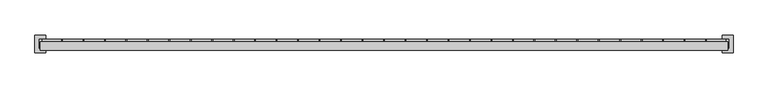
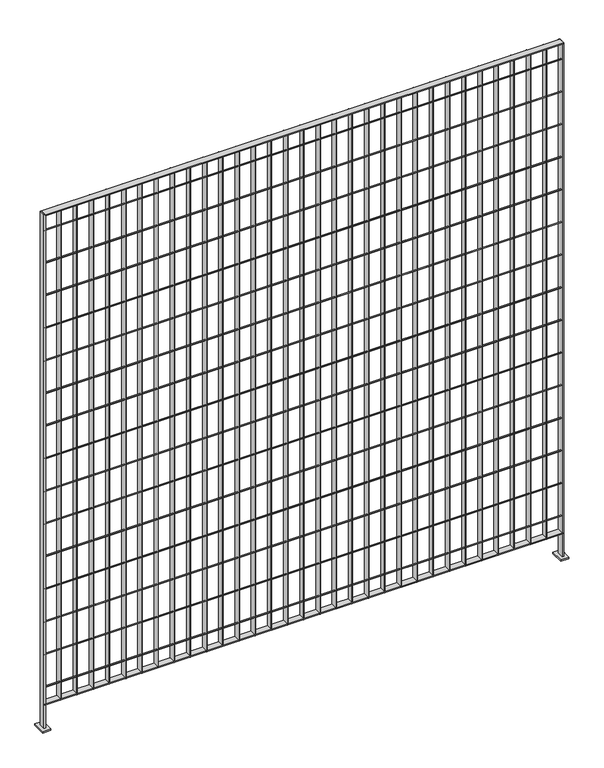
"""IFC4 building model written with IfcOpenShell, lengths in millimetres: railing geometry."""

from ifc_helpers import new_model, si_unit, point, frame, frame_2d, origin, place, context, project, spatial, polyline, circle_curve, trimmed, segment, composite_curve, outline, extrude, source, transform, mapped, element, save


def railing_04a130fd(model_context):
    return source(origin(), model_context, "Body", "SweptSolid", [
        extrude(outline(polyline([(-15096.6859548, 7726.0206619), (-15096.6859548, 7751.4206619), (-13115.4859548, 7751.4206619), (-13115.4859548, 7726.0206619), (-15096.6859548, 7726.0206619)])), frame((0.0, 0.0, 7718.510725), z_axis=(0.0, 0.0, 1.0), x_axis=(1.0, 0.0, 0.0)), (0.0, 0.0, 1.0), 3.7973),
        extrude(outline(composite_curve([segment(trimmed(circle_curve(frame_2d((7732.3706619, 7789.06875)), 2.0574), [point((7734.4280619, 7789.06875))], [point((7730.3132619, 7789.06875))], False, "CARTESIAN"), True, "CONTINUOUS"), segment(trimmed(circle_curve(frame_2d((7732.3706619, 7789.06875)), 2.0574), [point((7730.3132619, 7789.06875))], [point((7734.4280619, 7789.06875))], False, "CARTESIAN"), True, "CONTINUOUS")], self_intersect=False)), frame((-15096.6859548, 0.0, 0.0), z_axis=(1.0, 0.0, 0.0), x_axis=(0.0, 1.0, 0.0)), (0.0, 0.0, 1.0), 1981.2),
        extrude(outline(composite_curve([segment(trimmed(circle_curve(frame_2d((7732.3706619, 7920.83125)), 2.0574), [point((7734.4280619, 7920.83125))], [point((7730.3132619, 7920.83125))], False, "CARTESIAN"), True, "CONTINUOUS"), segment(trimmed(circle_curve(frame_2d((7732.3706619, 7920.83125)), 2.0574), [point((7730.3132619, 7920.83125))], [point((7734.4280619, 7920.83125))], False, "CARTESIAN"), True, "CONTINUOUS")], self_intersect=False)), frame((-15096.6859548, 0.0, 0.0), z_axis=(1.0, 0.0, 0.0), x_axis=(0.0, 1.0, 0.0)), (0.0, 0.0, 1.0), 1981.2),
        extrude(outline(composite_curve([segment(trimmed(circle_curve(frame_2d((7732.3706619, 8052.59375)), 2.0574), [point((7734.4280619, 8052.59375))], [point((7730.3132619, 8052.59375))], False, "CARTESIAN"), True, "CONTINUOUS"), segment(trimmed(circle_curve(frame_2d((7732.3706619, 8052.59375)), 2.0574), [point((7730.3132619, 8052.59375))], [point((7734.4280619, 8052.59375))], False, "CARTESIAN"), True, "CONTINUOUS")], self_intersect=False)), frame((-15096.6859548, 0.0, 0.0), z_axis=(1.0, 0.0, 0.0), x_axis=(0.0, 1.0, 0.0)), (0.0, 0.0, 1.0), 1981.2),
        extrude(outline(composite_curve([segment(trimmed(circle_curve(frame_2d((7732.3706619, 8184.35625)), 2.0574), [point((7734.4280619, 8184.35625))], [point((7730.3132619, 8184.35625))], False, "CARTESIAN"), True, "CONTINUOUS"), segment(trimmed(circle_curve(frame_2d((7732.3706619, 8184.35625)), 2.0574), [point((7730.3132619, 8184.35625))], [point((7734.4280619, 8184.35625))], False, "CARTESIAN"), True, "CONTINUOUS")], self_intersect=False)), frame((-15096.6859548, 0.0, 0.0), z_axis=(1.0, 0.0, 0.0), x_axis=(0.0, 1.0, 0.0)), (0.0, 0.0, 1.0), 1981.2),
        extrude(outline(composite_curve([segment(trimmed(circle_curve(frame_2d((7732.3706619, 8316.11875)), 2.0574), [point((7734.4280619, 8316.11875))], [point((7730.3132619, 8316.11875))], False, "CARTESIAN"), True, "CONTINUOUS"), segment(trimmed(circle_curve(frame_2d((7732.3706619, 8316.11875)), 2.0574), [point((7730.3132619, 8316.11875))], [point((7734.4280619, 8316.11875))], False, "CARTESIAN"), True, "CONTINUOUS")], self_intersect=False)), frame((-15096.6859548, 0.0, 0.0), z_axis=(1.0, 0.0, 0.0), x_axis=(0.0, 1.0, 0.0)), (0.0, 0.0, 1.0), 1981.2),
        extrude(outline(composite_curve([segment(trimmed(circle_curve(frame_2d((7732.3706619, 8447.88125)), 2.0574), [point((7734.4280619, 8447.88125))], [point((7730.3132619, 8447.88125))], False, "CARTESIAN"), True, "CONTINUOUS"), segment(trimmed(circle_curve(frame_2d((7732.3706619, 8447.88125)), 2.0574), [point((7730.3132619, 8447.88125))], [point((7734.4280619, 8447.88125))], False, "CARTESIAN"), True, "CONTINUOUS")], self_intersect=False)), frame((-15096.6859548, 0.0, 0.0), z_axis=(1.0, 0.0, 0.0), x_axis=(0.0, 1.0, 0.0)), (0.0, 0.0, 1.0), 1981.2),
        extrude(outline(composite_curve([segment(trimmed(circle_curve(frame_2d((7732.3706619, 8579.64375)), 2.0574), [point((7734.4280619, 8579.64375))], [point((7730.3132619, 8579.64375))], False, "CARTESIAN"), True, "CONTINUOUS"), segment(trimmed(circle_curve(frame_2d((7732.3706619, 8579.64375)), 2.0574), [point((7730.3132619, 8579.64375))], [point((7734.4280619, 8579.64375))], False, "CARTESIAN"), True, "CONTINUOUS")], self_intersect=False)), frame((-15096.6859548, 0.0, 0.0), z_axis=(1.0, 0.0, 0.0), x_axis=(0.0, 1.0, 0.0)), (0.0, 0.0, 1.0), 1981.2),
        extrude(outline(composite_curve([segment(trimmed(circle_curve(frame_2d((7732.3706619, 8711.40625)), 2.0574), [point((7734.4280619, 8711.40625))], [point((7730.3132619, 8711.40625))], False, "CARTESIAN"), True, "CONTINUOUS"), segment(trimmed(circle_curve(frame_2d((7732.3706619, 8711.40625)), 2.0574), [point((7730.3132619, 8711.40625))], [point((7734.4280619, 8711.40625))], False, "CARTESIAN"), True, "CONTINUOUS")], self_intersect=False)), frame((-15096.6859548, 0.0, 0.0), z_axis=(1.0, 0.0, 0.0), x_axis=(0.0, 1.0, 0.0)), (0.0, 0.0, 1.0), 1981.2),
        extrude(outline(composite_curve([segment(trimmed(circle_curve(frame_2d((7732.3706619, 8843.16875)), 2.0574), [point((7734.4280619, 8843.16875))], [point((7730.3132619, 8843.16875))], False, "CARTESIAN"), True, "CONTINUOUS"), segment(trimmed(circle_curve(frame_2d((7732.3706619, 8843.16875)), 2.0574), [point((7730.3132619, 8843.16875))], [point((7734.4280619, 8843.16875))], False, "CARTESIAN"), True, "CONTINUOUS")], self_intersect=False)), frame((-15096.6859548, 0.0, 0.0), z_axis=(1.0, 0.0, 0.0), x_axis=(0.0, 1.0, 0.0)), (0.0, 0.0, 1.0), 1981.2),
        extrude(outline(composite_curve([segment(trimmed(circle_curve(frame_2d((7732.3706619, 8974.93125)), 2.0574), [point((7734.4280619, 8974.93125))], [point((7730.3132619, 8974.93125))], False, "CARTESIAN"), True, "CONTINUOUS"), segment(trimmed(circle_curve(frame_2d((7732.3706619, 8974.93125)), 2.0574), [point((7730.3132619, 8974.93125))], [point((7734.4280619, 8974.93125))], False, "CARTESIAN"), True, "CONTINUOUS")], self_intersect=False)), frame((-15096.6859548, 0.0, 0.0), z_axis=(1.0, 0.0, 0.0), x_axis=(0.0, 1.0, 0.0)), (0.0, 0.0, 1.0), 1981.2),
        extrude(outline(composite_curve([segment(trimmed(circle_curve(frame_2d((7732.3706619, 9106.69375)), 2.0574), [point((7734.4280619, 9106.69375))], [point((7730.3132619, 9106.69375))], False, "CARTESIAN"), True, "CONTINUOUS"), segment(trimmed(circle_curve(frame_2d((7732.3706619, 9106.69375)), 2.0574), [point((7730.3132619, 9106.69375))], [point((7734.4280619, 9106.69375))], False, "CARTESIAN"), True, "CONTINUOUS")], self_intersect=False)), frame((-15096.6859548, 0.0, 0.0), z_axis=(1.0, 0.0, 0.0), x_axis=(0.0, 1.0, 0.0)), (0.0, 0.0, 1.0), 1981.2),
        extrude(outline(composite_curve([segment(trimmed(circle_curve(frame_2d((7732.3706619, 9238.45625)), 2.0574), [point((7734.4280619, 9238.45625))], [point((7730.3132619, 9238.45625))], False, "CARTESIAN"), True, "CONTINUOUS"), segment(trimmed(circle_curve(frame_2d((7732.3706619, 9238.45625)), 2.0574), [point((7730.3132619, 9238.45625))], [point((7734.4280619, 9238.45625))], False, "CARTESIAN"), True, "CONTINUOUS")], self_intersect=False)), frame((-15096.6859548, 0.0, 0.0), z_axis=(1.0, 0.0, 0.0), x_axis=(0.0, 1.0, 0.0)), (0.0, 0.0, 1.0), 1981.2),
        extrude(outline(composite_curve([segment(trimmed(circle_curve(frame_2d((7732.3706619, 9370.21875)), 2.0574), [point((7734.4280619, 9370.21875))], [point((7730.3132619, 9370.21875))], False, "CARTESIAN"), True, "CONTINUOUS"), segment(trimmed(circle_curve(frame_2d((7732.3706619, 9370.21875)), 2.0574), [point((7730.3132619, 9370.21875))], [point((7734.4280619, 9370.21875))], False, "CARTESIAN"), True, "CONTINUOUS")], self_intersect=False)), frame((-15096.6859548, 0.0, 0.0), z_axis=(1.0, 0.0, 0.0), x_axis=(0.0, 1.0, 0.0)), (0.0, 0.0, 1.0), 1981.2),
        extrude(outline(composite_curve([segment(trimmed(circle_curve(frame_2d((7732.3706619, 9501.98125)), 2.0574), [point((7734.4280619, 9501.98125))], [point((7730.3132619, 9501.98125))], False, "CARTESIAN"), True, "CONTINUOUS"), segment(trimmed(circle_curve(frame_2d((7732.3706619, 9501.98125)), 2.0574), [point((7730.3132619, 9501.98125))], [point((7734.4280619, 9501.98125))], False, "CARTESIAN"), True, "CONTINUOUS")], self_intersect=False)), frame((-15096.6859548, 0.0, 0.0), z_axis=(1.0, 0.0, 0.0), x_axis=(0.0, 1.0, 0.0)), (0.0, 0.0, 1.0), 1981.2),
        extrude(outline(composite_curve([segment(trimmed(circle_curve(frame_2d((7732.3706619, 9633.74375)), 2.0574), [point((7734.4280619, 9633.74375))], [point((7730.3132619, 9633.74375))], False, "CARTESIAN"), True, "CONTINUOUS"), segment(trimmed(circle_curve(frame_2d((7732.3706619, 9633.74375)), 2.0574), [point((7730.3132619, 9633.74375))], [point((7734.4280619, 9633.74375))], False, "CARTESIAN"), True, "CONTINUOUS")], self_intersect=False)), frame((-15096.6859548, 0.0, 0.0), z_axis=(1.0, 0.0, 0.0), x_axis=(0.0, 1.0, 0.0)), (0.0, 0.0, 1.0), 1981.2),
        extrude(outline(polyline([(-15096.6859548, 7719.6706619), (-15096.6859548, 7745.0706619), (-13115.4859548, 7745.0706619), (-13115.4859548, 7719.6706619), (-15096.6859548, 7719.6706619)])), frame((0.0, 0.0, 9700.90135), z_axis=(0.0, 0.0, 1.0), x_axis=(1.0, 0.0, 0.0)), (0.0, 0.0, 1.0), 3.7973),
        extrude(outline(polyline([(-13176.4497648, 7726.0206619), (-13178.3471448, 7726.0206619), (-13178.3471448, 7751.4206619), (-13176.4497648, 7751.4206619), (-13176.4497648, 7726.0206619)])), frame((0.0, 0.0, 7718.425), z_axis=(0.0, 0.0, 1.0), x_axis=(1.0, 0.0, 0.0)), (0.0, 0.0, 1.0), 1982.47635),
        extrude(outline(polyline([(-13238.3622648, 7726.0206619), (-13240.2596448, 7726.0206619), (-13240.2596448, 7751.4206619), (-13238.3622648, 7751.4206619), (-13238.3622648, 7726.0206619)])), frame((0.0, 0.0, 7718.425), z_axis=(0.0, 0.0, 1.0), x_axis=(1.0, 0.0, 0.0)), (0.0, 0.0, 1.0), 1982.47635),
        extrude(outline(polyline([(-13300.2747648, 7726.0206619), (-13302.1721448, 7726.0206619), (-13302.1721448, 7751.4206619), (-13300.2747648, 7751.4206619), (-13300.2747648, 7726.0206619)])), frame((0.0, 0.0, 7718.425), z_axis=(0.0, 0.0, 1.0), x_axis=(1.0, 0.0, 0.0)), (0.0, 0.0, 1.0), 1982.47635),
        extrude(outline(polyline([(-13362.1872648, 7726.0206619), (-13364.0846448, 7726.0206619), (-13364.0846448, 7751.4206619), (-13362.1872648, 7751.4206619), (-13362.1872648, 7726.0206619)])), frame((0.0, 0.0, 7718.425), z_axis=(0.0, 0.0, 1.0), x_axis=(1.0, 0.0, 0.0)), (0.0, 0.0, 1.0), 1982.47635),
        extrude(outline(polyline([(-13424.0997648, 7726.0206619), (-13425.9971448, 7726.0206619), (-13425.9971448, 7751.4206619), (-13424.0997648, 7751.4206619), (-13424.0997648, 7726.0206619)])), frame((0.0, 0.0, 7718.425), z_axis=(0.0, 0.0, 1.0), x_axis=(1.0, 0.0, 0.0)), (0.0, 0.0, 1.0), 1982.47635),
        extrude(outline(polyline([(-13486.0122648, 7726.0206619), (-13487.9096448, 7726.0206619), (-13487.9096448, 7751.4206619), (-13486.0122648, 7751.4206619), (-13486.0122648, 7726.0206619)])), frame((0.0, 0.0, 7718.425), z_axis=(0.0, 0.0, 1.0), x_axis=(1.0, 0.0, 0.0)), (0.0, 0.0, 1.0), 1982.47635),
        extrude(outline(polyline([(-13547.9247648, 7726.0206619), (-13549.8221448, 7726.0206619), (-13549.8221448, 7751.4206619), (-13547.9247648, 7751.4206619), (-13547.9247648, 7726.0206619)])), frame((0.0, 0.0, 7718.425), z_axis=(0.0, 0.0, 1.0), x_axis=(1.0, 0.0, 0.0)), (0.0, 0.0, 1.0), 1982.47635),
        extrude(outline(polyline([(-13609.8372648, 7726.0206619), (-13611.7346448, 7726.0206619), (-13611.7346448, 7751.4206619), (-13609.8372648, 7751.4206619), (-13609.8372648, 7726.0206619)])), frame((0.0, 0.0, 7718.425), z_axis=(0.0, 0.0, 1.0), x_axis=(1.0, 0.0, 0.0)), (0.0, 0.0, 1.0), 1982.47635),
        extrude(outline(polyline([(-13671.7497648, 7726.0206619), (-13673.6471448, 7726.0206619), (-13673.6471448, 7751.4206619), (-13671.7497648, 7751.4206619), (-13671.7497648, 7726.0206619)])), frame((0.0, 0.0, 7718.425), z_axis=(0.0, 0.0, 1.0), x_axis=(1.0, 0.0, 0.0)), (0.0, 0.0, 1.0), 1982.47635),
        extrude(outline(polyline([(-13733.6622648, 7726.0206619), (-13735.5596448, 7726.0206619), (-13735.5596448, 7751.4206619), (-13733.6622648, 7751.4206619), (-13733.6622648, 7726.0206619)])), frame((0.0, 0.0, 7718.425), z_axis=(0.0, 0.0, 1.0), x_axis=(1.0, 0.0, 0.0)), (0.0, 0.0, 1.0), 1982.47635),
        extrude(outline(polyline([(-13795.5747648, 7726.0206619), (-13797.4721448, 7726.0206619), (-13797.4721448, 7751.4206619), (-13795.5747648, 7751.4206619), (-13795.5747648, 7726.0206619)])), frame((0.0, 0.0, 7718.425), z_axis=(0.0, 0.0, 1.0), x_axis=(1.0, 0.0, 0.0)), (0.0, 0.0, 1.0), 1982.47635),
        extrude(outline(polyline([(-13857.4872648, 7726.0206619), (-13859.3846448, 7726.0206619), (-13859.3846448, 7751.4206619), (-13857.4872648, 7751.4206619), (-13857.4872648, 7726.0206619)])), frame((0.0, 0.0, 7718.425), z_axis=(0.0, 0.0, 1.0), x_axis=(1.0, 0.0, 0.0)), (0.0, 0.0, 1.0), 1982.47635),
        extrude(outline(polyline([(-13919.3997648, 7726.0206619), (-13921.2971448, 7726.0206619), (-13921.2971448, 7751.4206619), (-13919.3997648, 7751.4206619), (-13919.3997648, 7726.0206619)])), frame((0.0, 0.0, 7718.425), z_axis=(0.0, 0.0, 1.0), x_axis=(1.0, 0.0, 0.0)), (0.0, 0.0, 1.0), 1982.47635),
        extrude(outline(polyline([(-13981.3122648, 7726.0206619), (-13983.2096448, 7726.0206619), (-13983.2096448, 7751.4206619), (-13981.3122648, 7751.4206619), (-13981.3122648, 7726.0206619)])), frame((0.0, 0.0, 7718.425), z_axis=(0.0, 0.0, 1.0), x_axis=(1.0, 0.0, 0.0)), (0.0, 0.0, 1.0), 1982.47635),
        extrude(outline(polyline([(-14043.2247648, 7726.0206619), (-14045.1221448, 7726.0206619), (-14045.1221448, 7751.4206619), (-14043.2247648, 7751.4206619), (-14043.2247648, 7726.0206619)])), frame((0.0, 0.0, 7718.425), z_axis=(0.0, 0.0, 1.0), x_axis=(1.0, 0.0, 0.0)), (0.0, 0.0, 1.0), 1982.47635),
        extrude(outline(polyline([(-14105.1372648, 7726.0206619), (-14107.0346448, 7726.0206619), (-14107.0346448, 7751.4206619), (-14105.1372648, 7751.4206619), (-14105.1372648, 7726.0206619)])), frame((0.0, 0.0, 7718.425), z_axis=(0.0, 0.0, 1.0), x_axis=(1.0, 0.0, 0.0)), (0.0, 0.0, 1.0), 1982.47635),
        extrude(outline(polyline([(-14167.0497648, 7726.0206619), (-14168.9471448, 7726.0206619), (-14168.9471448, 7751.4206619), (-14167.0497648, 7751.4206619), (-14167.0497648, 7726.0206619)])), frame((0.0, 0.0, 7718.425), z_axis=(0.0, 0.0, 1.0), x_axis=(1.0, 0.0, 0.0)), (0.0, 0.0, 1.0), 1982.47635),
        extrude(outline(polyline([(-14228.9622648, 7726.0206619), (-14230.8596448, 7726.0206619), (-14230.8596448, 7751.4206619), (-14228.9622648, 7751.4206619), (-14228.9622648, 7726.0206619)])), frame((0.0, 0.0, 7718.425), z_axis=(0.0, 0.0, 1.0), x_axis=(1.0, 0.0, 0.0)), (0.0, 0.0, 1.0), 1982.47635),
        extrude(outline(polyline([(-14290.8747648, 7726.0206619), (-14292.7721448, 7726.0206619), (-14292.7721448, 7751.4206619), (-14290.8747648, 7751.4206619), (-14290.8747648, 7726.0206619)])), frame((0.0, 0.0, 7718.425), z_axis=(0.0, 0.0, 1.0), x_axis=(1.0, 0.0, 0.0)), (0.0, 0.0, 1.0), 1982.47635),
        extrude(outline(polyline([(-14352.7872648, 7726.0206619), (-14354.6846448, 7726.0206619), (-14354.6846448, 7751.4206619), (-14352.7872648, 7751.4206619), (-14352.7872648, 7726.0206619)])), frame((0.0, 0.0, 7718.425), z_axis=(0.0, 0.0, 1.0), x_axis=(1.0, 0.0, 0.0)), (0.0, 0.0, 1.0), 1982.47635),
        extrude(outline(polyline([(-14414.6997648, 7726.0206619), (-14416.5971448, 7726.0206619), (-14416.5971448, 7751.4206619), (-14414.6997648, 7751.4206619), (-14414.6997648, 7726.0206619)])), frame((0.0, 0.0, 7718.425), z_axis=(0.0, 0.0, 1.0), x_axis=(1.0, 0.0, 0.0)), (0.0, 0.0, 1.0), 1982.47635),
        extrude(outline(polyline([(-14476.6122648, 7726.0206619), (-14478.5096448, 7726.0206619), (-14478.5096448, 7751.4206619), (-14476.6122648, 7751.4206619), (-14476.6122648, 7726.0206619)])), frame((0.0, 0.0, 7718.425), z_axis=(0.0, 0.0, 1.0), x_axis=(1.0, 0.0, 0.0)), (0.0, 0.0, 1.0), 1982.47635),
        extrude(outline(polyline([(-14538.5247648, 7726.0206619), (-14540.4221448, 7726.0206619), (-14540.4221448, 7751.4206619), (-14538.5247648, 7751.4206619), (-14538.5247648, 7726.0206619)])), frame((0.0, 0.0, 7718.425), z_axis=(0.0, 0.0, 1.0), x_axis=(1.0, 0.0, 0.0)), (0.0, 0.0, 1.0), 1982.47635),
        extrude(outline(polyline([(-14600.4372648, 7726.0206619), (-14602.3346448, 7726.0206619), (-14602.3346448, 7751.4206619), (-14600.4372648, 7751.4206619), (-14600.4372648, 7726.0206619)])), frame((0.0, 0.0, 7718.425), z_axis=(0.0, 0.0, 1.0), x_axis=(1.0, 0.0, 0.0)), (0.0, 0.0, 1.0), 1982.47635),
        extrude(outline(polyline([(-14662.3497648, 7726.0206619), (-14664.2471448, 7726.0206619), (-14664.2471448, 7751.4206619), (-14662.3497648, 7751.4206619), (-14662.3497648, 7726.0206619)])), frame((0.0, 0.0, 7718.425), z_axis=(0.0, 0.0, 1.0), x_axis=(1.0, 0.0, 0.0)), (0.0, 0.0, 1.0), 1982.47635),
        extrude(outline(polyline([(-14724.2622648, 7726.0206619), (-14726.1596448, 7726.0206619), (-14726.1596448, 7751.4206619), (-14724.2622648, 7751.4206619), (-14724.2622648, 7726.0206619)])), frame((0.0, 0.0, 7718.425), z_axis=(0.0, 0.0, 1.0), x_axis=(1.0, 0.0, 0.0)), (0.0, 0.0, 1.0), 1982.47635),
        extrude(outline(polyline([(-14786.1747648, 7726.0206619), (-14788.0721448, 7726.0206619), (-14788.0721448, 7751.4206619), (-14786.1747648, 7751.4206619), (-14786.1747648, 7726.0206619)])), frame((0.0, 0.0, 7718.425), z_axis=(0.0, 0.0, 1.0), x_axis=(1.0, 0.0, 0.0)), (0.0, 0.0, 1.0), 1982.47635),
        extrude(outline(polyline([(-14848.0872648, 7726.0206619), (-14849.9846448, 7726.0206619), (-14849.9846448, 7751.4206619), (-14848.0872648, 7751.4206619), (-14848.0872648, 7726.0206619)])), frame((0.0, 0.0, 7718.425), z_axis=(0.0, 0.0, 1.0), x_axis=(1.0, 0.0, 0.0)), (0.0, 0.0, 1.0), 1982.47635),
        extrude(outline(polyline([(-14909.9997648, 7726.0206619), (-14911.8971448, 7726.0206619), (-14911.8971448, 7751.4206619), (-14909.9997648, 7751.4206619), (-14909.9997648, 7726.0206619)])), frame((0.0, 0.0, 7718.425), z_axis=(0.0, 0.0, 1.0), x_axis=(1.0, 0.0, 0.0)), (0.0, 0.0, 1.0), 1982.47635),
        extrude(outline(polyline([(-14971.9122648, 7726.0206619), (-14973.8096448, 7726.0206619), (-14973.8096448, 7751.4206619), (-14971.9122648, 7751.4206619), (-14971.9122648, 7726.0206619)])), frame((0.0, 0.0, 7718.425), z_axis=(0.0, 0.0, 1.0), x_axis=(1.0, 0.0, 0.0)), (0.0, 0.0, 1.0), 1982.47635),
        extrude(outline(polyline([(-15033.8247648, 7726.0206619), (-15035.7221448, 7726.0206619), (-15035.7221448, 7751.4206619), (-15033.8247648, 7751.4206619), (-15033.8247648, 7726.0206619)])), frame((0.0, 0.0, 7718.425), z_axis=(0.0, 0.0, 1.0), x_axis=(1.0, 0.0, 0.0)), (0.0, 0.0, 1.0), 1982.47635),
        extrude(outline(polyline([(-13118.6609548, 7751.4206619), (-13112.3109548, 7751.4206619), (-13112.3109548, 7726.0206619), (-13118.6609548, 7726.0206619), (-13118.6609548, 7751.4206619)])), frame((0.0, 0.0, 7620.0), z_axis=(0.0, 0.0, 1.0), x_axis=(1.0, 0.0, 0.0)), (0.0, 0.0, 1.0), 2080.90135),
        extrude(outline(polyline([(-13099.6109548, 7713.3206619), (-13131.3609548, 7713.3206619), (-13131.3609548, 7764.1206619), (-13099.6109548, 7764.1206619), (-13099.6109548, 7713.3206619)])), frame((0.0, 0.0, 7620.0), z_axis=(0.0, 0.0, 1.0), x_axis=(1.0, 0.0, 0.0)), (0.0, 0.0, 1.0), 6.35),
        extrude(outline(polyline([(-15099.8609548, 7751.4206619), (-15093.5109548, 7751.4206619), (-15093.5109548, 7726.0206619), (-15099.8609548, 7726.0206619), (-15099.8609548, 7751.4206619)])), frame((0.0, 0.0, 7620.0), z_axis=(0.0, 0.0, 1.0), x_axis=(1.0, 0.0, 0.0)), (0.0, 0.0, 1.0), 2080.90135),
        extrude(outline(polyline([(-15080.8109548, 7713.3206619), (-15112.5609548, 7713.3206619), (-15112.5609548, 7764.1206619), (-15080.8109548, 7764.1206619), (-15080.8109548, 7713.3206619)])), frame((0.0, 0.0, 7620.0), z_axis=(0.0, 0.0, 1.0), x_axis=(1.0, 0.0, 0.0)), (0.0, 0.0, 1.0), 6.35),
    ])


if __name__ == "__main__":
    model = new_model("IFC4")
    model_context = context("Model", 3, world=origin())
    ifc_project = project(units=[si_unit("LENGTHUNIT", "METRE", prefix="MILLI")], contexts=[model_context])
    site = spatial("IfcSite", under=ifc_project)
    building = spatial("IfcBuilding", under=site)
    placement = place(None, origin())
    railing_shape = railing_04a130fd(model_context)
    element("IfcRailing", 1, at=placement, inside=building, context=model_context, shape_type="MappedRepresentation", body=[
        mapped(railing_shape, transform((0.0, 0.0, 0.0), x_axis=(1.0, 0.0, 0.0), y_axis=(0.0, 1.0, 0.0), z_axis=(0.0, 0.0, 1.0))),
    ])
    save(model, "model.ifc")
